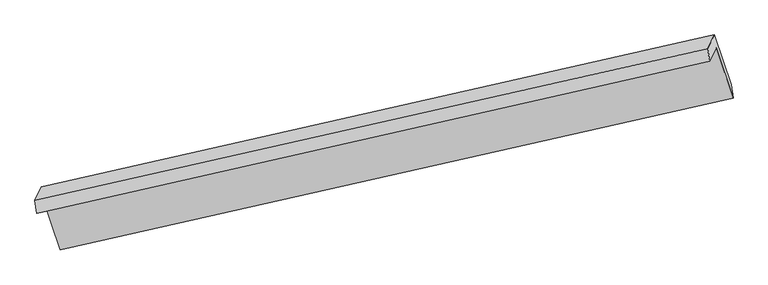
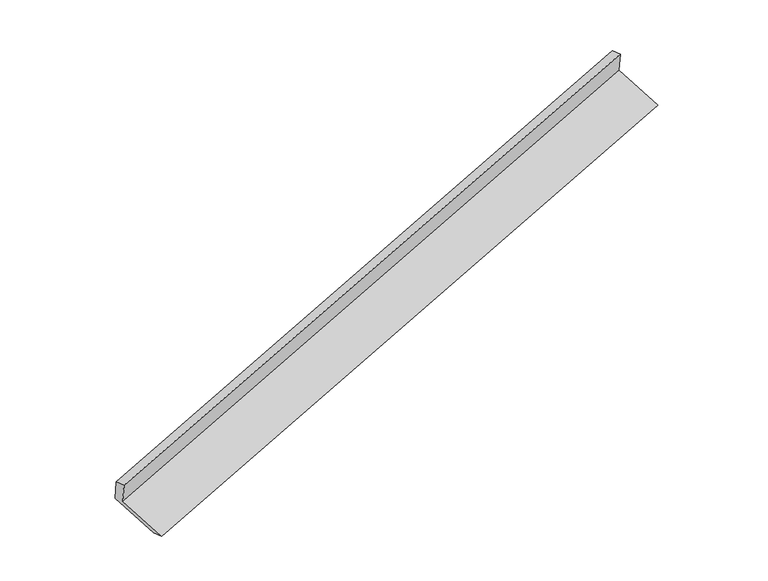
"""IFC4 building model written with IfcOpenShell, lengths in millimetres: proxy geometry."""

from ifc_helpers import new_model, si_unit, origin, place, context, project, spatial, faceted_brep, source, transform, mapped, element, save


def generic_models_e6a9a7ef(model_context):
    return source(origin(), model_context, "Body", "Brep", [
        faceted_brep([(-7426.4132194, -2493.7517688, 912.8116137), (-7341.5621986, -2315.2318043, 512.9380486), (1551.2498098, -302.6564278, 3281.7086922), (1466.3987891, -481.1763923, 3681.5822573), (-7451.7071863, -2328.4078056, 876.8205216), (1441.1048222, -315.8324291, 3645.5911652), (-7365.2259059, -2146.4579014, 469.264106), (1527.5861026, -133.8825249, 3238.0347496), (-7142.2789848, -2807.8564095, 221.2968158), (1750.5330236, -795.2810329, 2990.0674594), (-7117.3641115, -2980.3420451, 263.5791794), (1775.447897, -967.7666685, 3032.349823)], [[[0, 1, 2, 3]], [[4, 0, 3, 5]], [[6, 4, 5, 7]], [[8, 6, 7, 9]], [[10, 8, 9, 11]], [[1, 10, 11, 2]], [[9, 7, 5, 3, 2, 11]], [[1, 0, 4, 6, 8, 10]]]),
    ])


if __name__ == "__main__":
    model = new_model("IFC4")
    model_context = context("Model", 3, world=origin())
    ifc_project = project(units=[si_unit("LENGTHUNIT", "METRE", prefix="MILLI")], contexts=[model_context])
    site = spatial("IfcSite", under=ifc_project)
    building = spatial("IfcBuilding", under=site)
    placement = place(None, origin())
    generic_models_shape = generic_models_e6a9a7ef(model_context)
    element("IfcBuildingElementProxy", 1, Name="Generic Models", at=placement, inside=building, context=model_context, shape_type="MappedRepresentation", body=[
        mapped(generic_models_shape, transform((0.0, 0.0, 0.0), x_axis=(1.0, 0.0, 0.0), y_axis=(0.0, 1.0, 0.0), z_axis=(0.0, 0.0, 1.0))),
    ])
    save(model, "model.ifc")
